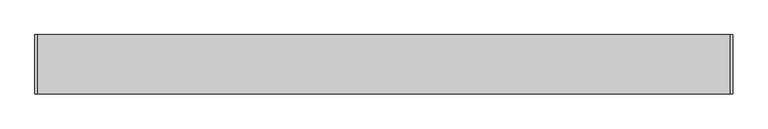
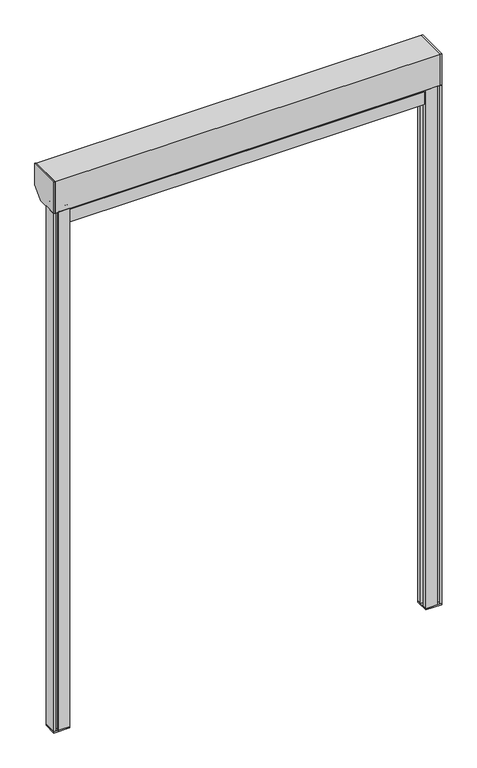
"""IFC4 building model written with IfcOpenShell, lengths in millimetres: proxy geometry."""

from ifc_helpers import new_model, si_unit, point, frame, frame_2d, origin, place, context, project, spatial, polyline, circle_curve, trimmed, segment, composite_curve, outline, extrude, source, transform, mapped, element, save


def specialty_equipment_836d2bfe(model_context):
    return source(origin(), model_context, "Body", "SweptSolid", [
        extrude(outline(polyline([(-482.0, 20.15), (482.0, 20.15), (482.0, 15.65), (-482.0, 15.65), (-482.0, 20.15)])), frame((0.0, 0.0, 2214.0), z_axis=(0.0, 0.0, 1.0), x_axis=(1.0, 0.0, 0.0)), (0.0, 0.0, 1.0), 1.0),
        extrude(outline(composite_curve([segment(polyline([(15.15, 2176.8028857), (15.15, 2175.5028857), (16.15, 2175.5028857), (16.15, 2174.5028857), (5.0, 2174.5028857), (5.0, 2207.8028857), (8.6263815, 2207.8028857)]), True, "CONTINUOUS"), segment(trimmed(circle_curve(frame_2d((8.6263815, 2210.8028857)), 3.0), [point((8.6263815, 2207.8028857))], [point((11.6178713, 2210.5770792))], True, "CARTESIAN"), True, "CONTINUOUS"), segment(trimmed(circle_curve(frame_2d((17.9, 2210.1028857)), 6.3), [point((11.6178713, 2210.5770792))], [point((14.912931, 2215.6497243))], False, "CARTESIAN"), True, "CONTINUOUS"), segment(trimmed(circle_curve(frame_2d((15.15, 2215.209499)), 0.5), [point((14.912931, 2215.6497243))], [point((15.65, 2215.209499))], False, "CARTESIAN"), True, "CONTINUOUS"), segment(polyline([(15.65, 2215.209499), (15.65, 2214.0)]), True, "CONTINUOUS"), segment(trimmed(circle_curve(frame_2d((17.9, 2210.1028857)), 4.5), [point((15.65, 2214.0))], [point((17.9, 2205.6028857))], True, "CARTESIAN"), True, "CONTINUOUS"), segment(trimmed(circle_curve(frame_2d((17.9, 2210.1028857)), 4.5), [point((17.9, 2205.6028857))], [point((20.15, 2214.0))], True, "CARTESIAN"), True, "CONTINUOUS"), segment(polyline([(20.15, 2214.0), (20.15, 2215.209499)]), True, "CONTINUOUS"), segment(trimmed(circle_curve(frame_2d((20.65, 2215.209499)), 0.5), [point((20.15, 2215.209499))], [point((20.887069, 2215.6497243))], False, "CARTESIAN"), True, "CONTINUOUS"), segment(trimmed(circle_curve(frame_2d((17.9, 2210.1028857)), 6.3), [point((20.887069, 2215.6497243))], [point((24.1821287, 2210.5770792))], False, "CARTESIAN"), True, "CONTINUOUS"), segment(trimmed(circle_curve(frame_2d((27.1736185, 2210.8028857)), 3.0), [point((24.1821287, 2210.5770792))], [point((27.1736185, 2207.8028857))], True, "CARTESIAN"), True, "CONTINUOUS"), segment(polyline([(27.1736185, 2207.8028857), (30.8, 2207.8028857), (30.8, 2174.5028857), (19.65, 2174.5028857), (19.65, 2175.5028857), (20.65, 2175.5028857), (20.65, 2176.8028857), (15.15, 2176.8028857)]), True, "CONTINUOUS")], self_intersect=False)), frame((-459.0, 0.0, 0.0), z_axis=(1.0, 0.0, 0.0), x_axis=(0.0, 1.0, 0.0)), (0.0, 0.0, 1.0), 918.0),
        extrude(outline(polyline([(459.0, 35.0), (500.0, 35.0), (500.0, 0.0), (459.0, 0.0), (459.0, 35.0)])), frame((0.0, 0.0, 800.0), z_axis=(0.0, 0.0, 1.0), x_axis=(1.0, 0.0, 0.0)), (0.0, 0.0, 1.0), 3.0),
        extrude(outline(polyline([(489.25, 0.0), (459.0, 0.0), (459.0, 11.7), (465.35, 11.7), (465.35, 10.6), (460.3, 10.6), (460.3, 1.3), (484.9, 1.3), (484.9, 33.7), (460.3, 33.7), (460.3, 24.4), (465.35, 24.4), (465.35, 23.3), (459.0, 23.3), (459.0, 35.0), (500.0, 35.0), (500.0, 0.0), (495.65, 0.0), (495.65, 1.4), (498.7, 1.4), (498.7, 7.55), (486.2, 7.55), (486.2, 1.4), (489.25, 1.4), (489.25, 0.0)])), frame((0.0, 0.0, 803.0), z_axis=(0.0, 0.0, 1.0), x_axis=(1.0, 0.0, 0.0)), (0.0, 0.0, 1.0), 1412.0),
        extrude(outline(polyline([(-459.0, 35.0), (-459.0, 0.0), (-500.0, 0.0), (-500.0, 35.0), (-459.0, 35.0)])), frame((0.0, 0.0, 800.0), z_axis=(0.0, 0.0, 1.0), x_axis=(1.0, 0.0, 0.0)), (0.0, 0.0, 1.0), 3.0),
        extrude(outline(polyline([(-489.25, 0.0), (-489.25, 1.4), (-486.2, 1.4), (-486.2, 7.55), (-498.7, 7.55), (-498.7, 1.4), (-495.65, 1.4), (-495.65, 0.0), (-500.0, 0.0), (-500.0, 35.0), (-459.0, 35.0), (-459.0, 23.3), (-465.35, 23.3), (-465.35, 24.4), (-460.3, 24.4), (-460.3, 33.7), (-484.9, 33.7), (-484.9, 1.3), (-460.3, 1.3), (-460.3, 10.6), (-465.35, 10.6), (-465.35, 11.7), (-459.0, 11.7), (-459.0, 0.0), (-489.25, 0.0)])), frame((0.0, 0.0, 803.0), z_axis=(0.0, 0.0, 1.0), x_axis=(1.0, 0.0, 0.0)), (0.0, 0.0, 1.0), 1412.0),
        extrude(outline(polyline([(0.0, 2300.0), (85.0, 2300.0), (85.0, 2241.999827), (58.004804, 2215.004631), (0.0, 2215.004631), (0.0, 2300.0)])), frame((497.0, 0.0, 0.0), z_axis=(1.0, 0.0, 0.0), x_axis=(0.0, 1.0, 0.0)), (0.0, 0.0, 1.0), 3.0),
        extrude(outline(polyline([(0.0, 2300.0), (85.0, 2300.0), (85.0, 2241.999827), (58.004804, 2215.004631), (0.0, 2215.004631), (0.0, 2300.0)])), frame((-500.0, 0.0, 0.0), z_axis=(1.0, 0.0, 0.0), x_axis=(0.0, 1.0, 0.0)), (0.0, 0.0, 1.0), 3.0),
        extrude(outline(polyline([(83.4056024, 2283.8198817), (69.9321601, 2298.15), (13.0997475, 2298.15), (1.85, 2286.9002525), (1.85, 2226.8178399), (8.5, 2220.5653869), (8.5, 2215.0), (0.0, 2215.0), (0.0, 2300.0), (85.0, 2300.0), (85.0, 2241.999827), (58.004804, 2215.004631), (25.9941503, 2215.004631), (25.9941503, 2216.6000808), (57.0546694, 2216.6000808), (83.4056024, 2242.9510138), (83.4056024, 2283.8198817)])), frame((-497.0, 0.0, 0.0), z_axis=(1.0, 0.0, 0.0), x_axis=(0.0, 1.0, 0.0)), (0.0, 0.0, 1.0), 994.0),
        extrude(outline(composite_curve([segment(trimmed(circle_curve(frame_2d((42.25, 2257.75)), 31.4), [point((61.4627885, 2232.9139625))], [point((23.0372115, 2282.5860375))], False, "CARTESIAN"), True, "CONTINUOUS"), segment(trimmed(circle_curve(frame_2d((42.25, 2257.75)), 31.4), [point((23.0372115, 2282.5860375))], [point((61.4627885, 2232.9139625))], False, "CARTESIAN"), True, "CONTINUOUS")], self_intersect=False), holes=[composite_curve([segment(trimmed(circle_curve(frame_2d((42.25, 2257.75)), 30.5), [point((54.9158457, 2230.0042553))], [point((29.5841543, 2285.4957447))], True, "CARTESIAN"), True, "CONTINUOUS"), segment(trimmed(circle_curve(frame_2d((42.25, 2257.75)), 30.5), [point((29.5841543, 2285.4957447))], [point((54.9158457, 2230.0042553))], True, "CARTESIAN"), True, "CONTINUOUS")], self_intersect=False)]), frame((-497.0, 0.0, 0.0), z_axis=(1.0, 0.0, 0.0), x_axis=(0.0, 1.0, 0.0)), (0.0, 0.0, 1.0), 994.0),
    ])


if __name__ == "__main__":
    model = new_model("IFC4")
    model_context = context("Model", 3, world=origin())
    ifc_project = project(units=[si_unit("LENGTHUNIT", "METRE", prefix="MILLI")], contexts=[model_context])
    site = spatial("IfcSite", under=ifc_project)
    building = spatial("IfcBuilding", under=site)
    placement = place(None, origin())
    specialty_equipment_shape = specialty_equipment_836d2bfe(model_context)
    element("IfcBuildingElementProxy", 1, Name="Specialty Equipment", at=placement, inside=building, context=model_context, shape_type="MappedRepresentation", body=[
        mapped(specialty_equipment_shape, transform((0.0, 0.0, 0.0), x_axis=(1.0, 0.0, 0.0), y_axis=(0.0, 1.0, 0.0), z_axis=(0.0, 0.0, 1.0))),
    ])
    save(model, "model.ifc")
